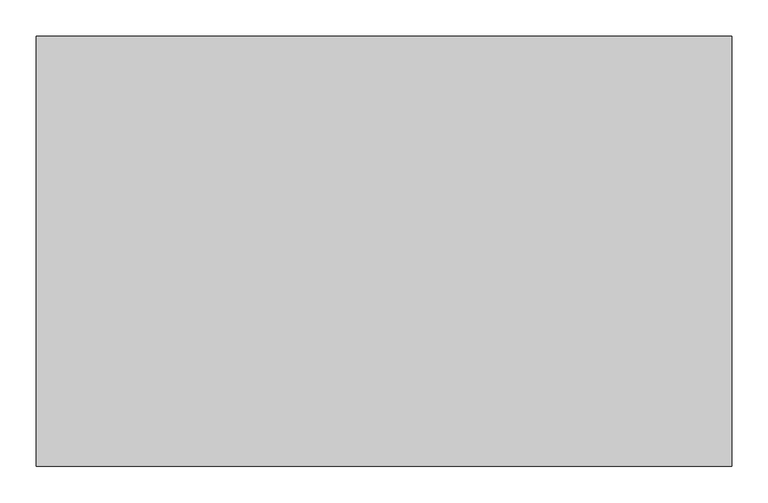
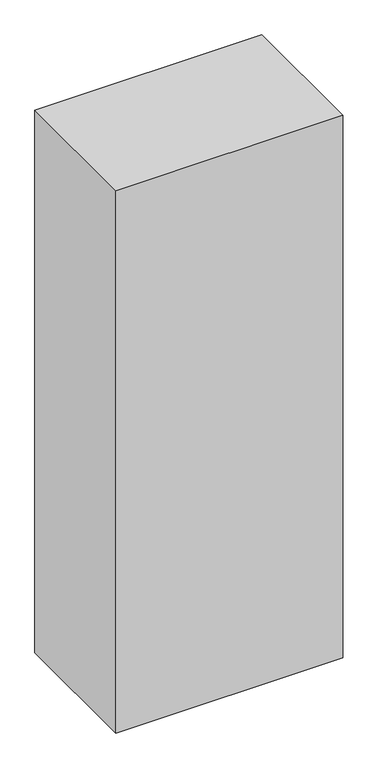
"""IFC4 building model written with IfcOpenShell, lengths in millimetres: proxy geometry."""

import ifcopenshell
import ifcopenshell.guid

model = None  # the IFC model being written
_history = None  # IfcOwnerHistory: only IFC2X3 demands one
_inside = {}  # id of a spatial element -> (the spatial element, [elements in it])
_under = {}  # id of a project, library or spatial element -> (it, [spatial elements below it])
_declared = {}  # id of a project -> (the project, [libraries it declares])
_typed = {}  # id of a type object -> (the type object, [elements of that type])
_made_of = {}  # id of a material, layer set ... -> (it, [elements and type objects made of it])


def new_model(schema):
    """Start an empty IFC model of exactly this schema.

    Asked for "IFC4X3", IfcOpenShell would pick the latest addendum, in which some entities
    have other attributes; the version numbers below select the first issue.
    IFC2X3 requires an IfcOwnerHistory on every rooted entity: one is made here for all.
    """
    global model, _history
    if schema == "IFC4X3":
        model = ifcopenshell.file(schema_version=(4, 3, 0, 0))
    else:
        model = ifcopenshell.file(schema=schema)
    _inside.clear()
    _under.clear()
    _declared.clear()
    _typed.clear()
    _made_of.clear()
    _history = None
    if model.schema == "IFC2X3":
        org = make("IfcOrganization", Name="unknown")
        user = make(
            "IfcPersonAndOrganization",
            ThePerson=make("IfcPerson", FamilyName="unknown"),
            TheOrganization=org,
        )
        app = make(
            "IfcApplication",
            ApplicationDeveloper=org,
            Version="unknown",
            ApplicationFullName="unknown",
            ApplicationIdentifier="unknown",
        )
        _history = make(
            "IfcOwnerHistory",
            OwningUser=user,
            OwningApplication=app,
            ChangeAction="ADDED",
            CreationDate=0,
        )
    return model


def make(cls, **values):
    """One entity of the class cls with the attributes given. An attribute that is None is left unset."""
    return model.create_entity(
        cls, **{name: value for name, value in values.items() if value is not None}
    )


def rooted(cls, **values):
    """An entity with a GlobalId (a new one), such as an element, a storey or a relation."""
    return make(cls, GlobalId=ifcopenshell.guid.new(), OwnerHistory=_history, **values)


def si_unit(unit_type, name, prefix=None):
    """IfcSIUnit, for example si_unit("LENGTHUNIT", "METRE", prefix="MILLI")."""
    return make("IfcSIUnit", UnitType=unit_type, Prefix=prefix, Name=name)


def assignment(units):
    """IfcUnitAssignment: the units of a project."""
    return None if units is None else make("IfcUnitAssignment", Units=units)


def point(xyz):
    """IfcCartesianPoint."""
    return None if xyz is None else make("IfcCartesianPoint", Coordinates=xyz)


def direction(xyz):
    """IfcDirection."""
    return None if xyz is None else make("IfcDirection", DirectionRatios=xyz)


def frame(location, z_axis=None, x_axis=None):
    """IfcAxis2Placement3D, a coordinate frame: its origin and axes. An axis left out is left unset."""
    return make(
        "IfcAxis2Placement3D",
        Location=point(location),
        Axis=direction(z_axis),
        RefDirection=direction(x_axis),
    )


def origin():
    """The frame at (0, 0, 0) with its axes left unset."""
    return frame((0.0, 0.0, 0.0))


def origin_with_axes():
    """The frame at (0, 0, 0) with the z axis (0, 0, 1) and the x axis (1, 0, 0) written out."""
    return frame((0.0, 0.0, 0.0), z_axis=(0.0, 0.0, 1.0), x_axis=(1.0, 0.0, 0.0))


def place(relative_to, where):
    """IfcLocalPlacement: puts the frame where relative to a parent placement (None: the world)."""
    return make(
        "IfcLocalPlacement", PlacementRelTo=relative_to, RelativePlacement=where
    )


def context(
    kind, dimensions, precision=None, world=None, true_north=None, identifier=None
):
    """IfcGeometricRepresentationContext, for example the 3D "Model" context."""
    return make(
        "IfcGeometricRepresentationContext",
        ContextIdentifier=identifier,
        ContextType=kind,
        CoordinateSpaceDimension=dimensions,
        Precision=precision,
        WorldCoordinateSystem=world,
        TrueNorth=true_north,
    )


def project(units=None, contexts=None):
    """IfcProject with its units and contexts."""
    return rooted(
        "IfcProject",
        Name="project",
        RepresentationContexts=contexts,
        UnitsInContext=assignment(units),
    )


def spatial(cls, under=None, at=None, **own):
    """A site, building, storey or space (cls), placed at a placement, below another one or the project."""
    s = rooted(cls, ObjectPlacement=at, **own)
    if under is not None:
        _under.setdefault(under.id(), (under, []))[1].append(s)
    return s


def polyline(points):
    """IfcPolyline through the points."""
    return make("IfcPolyline", Points=[point(p) for p in points])


def outline(outer, holes=None, kind="AREA"):
    """IfcArbitraryClosedProfileDef: a profile drawn as a closed curve; with holes, ...WithVoids."""
    if holes is None:
        return make("IfcArbitraryClosedProfileDef", ProfileType=kind, OuterCurve=outer)
    return make(
        "IfcArbitraryProfileDefWithVoids",
        ProfileType=kind,
        OuterCurve=outer,
        InnerCurves=holes,
    )


def extrude(swept, where, along, depth):
    """IfcExtrudedAreaSolid: the profile swept, set in the frame where, extruded along a direction by depth."""
    return make(
        "IfcExtrudedAreaSolid",
        SweptArea=swept,
        Position=where,
        ExtrudedDirection=direction(along),
        Depth=depth,
    )


def shape(context_of_items, identifier, shape_type, items):
    """IfcShapeRepresentation: the items that make up one representation, for example the "Body"."""
    return make(
        "IfcShapeRepresentation",
        ContextOfItems=context_of_items,
        RepresentationIdentifier=identifier,
        RepresentationType=shape_type,
        Items=items,
    )


def source(mapping_origin, context_of_items, identifier, shape_type, items):
    """IfcRepresentationMap: a shape defined once, which mapped items show again and again."""
    return make(
        "IfcRepresentationMap",
        MappingOrigin=mapping_origin,
        MappedRepresentation=shape(context_of_items, identifier, shape_type, items),
    )


def transform(
    local_origin,
    x_axis=None,
    y_axis=None,
    z_axis=None,
    scale=None,
    scale2=None,
    scale3=None,
    uniform=True,
):
    """IfcCartesianTransformationOperator3D, or its non-uniform kind. x_axis, y_axis, z_axis: its Axis1, 2, 3."""
    if uniform:
        return make(
            "IfcCartesianTransformationOperator3D",
            Axis1=direction(x_axis),
            Axis2=direction(y_axis),
            LocalOrigin=point(local_origin),
            Scale=scale,
            Axis3=direction(z_axis),
        )
    return make(
        "IfcCartesianTransformationOperator3DnonUniform",
        Axis1=direction(x_axis),
        Axis2=direction(y_axis),
        LocalOrigin=point(local_origin),
        Scale=scale,
        Axis3=direction(z_axis),
        Scale2=scale2,
        Scale3=scale3,
    )


def mapped(mapping_source, mapping_target):
    """IfcMappedItem: shows the shape of a source again, moved by a transform."""
    return make(
        "IfcMappedItem", MappingSource=mapping_source, MappingTarget=mapping_target
    )


def made_of(thing, what):
    """Note that an element or type object is made of a material, layer set ...; save() writes the relation."""
    if what is not None:
        _made_of.setdefault(what.id(), (what, []))[1].append(thing)
    return thing


def element(
    cls,
    number,
    at=None,
    inside=None,
    cuts=None,
    type_object=None,
    material=None,
    context=None,
    identifier="Body",
    shape_type=None,
    held_by="IfcProductDefinitionShape",
    body=None,
    shapes=None,
    **own,
):
    """One element of the class cls, such as IfcWall. Its Tag is "e" and its number.

    at: its placement. inside: the storey or other place that contains it. cuts: it is an
    opening in that element (IfcRelVoidsElement). A single representation is given by context,
    identifier, shape_type and body (its items); several are given by shapes. held_by: the class
    of the entity that holds the representations. save() writes the other relations.
    """
    e = rooted(cls, Tag="e%d" % number, ObjectPlacement=at, **own)
    if body is not None:
        shapes = [shape(context, identifier, shape_type, body)]
    if shapes is not None:
        e.Representation = make(held_by, Representations=shapes)
    if inside is not None:
        _inside.setdefault(inside.id(), (inside, []))[1].append(e)
    if cuts is not None:
        rooted(
            "IfcRelVoidsElement", RelatingBuildingElement=cuts, RelatedOpeningElement=e
        )
    if type_object is not None:
        _typed.setdefault(type_object.id(), (type_object, []))[1].append(e)
    return made_of(e, material)


def aggregate(whole, parts):
    """IfcRelAggregates: a whole, such as a stair, and the parts it consists of."""
    return rooted("IfcRelAggregates", RelatingObject=whole, RelatedObjects=parts)


def save(model, path):
    """Write the relations noted so far, then the file.

    IfcRelAggregates (storeys below a building ...), IfcRelContainedInSpatialStructure (elements
    in a storey), IfcRelDefinesByType, IfcRelAssociatesMaterial and IfcRelDeclares: one each for
    every whole, place, type object, material and project.
    """
    for whole, parts in _under.values():
        aggregate(whole, parts)
    for where, things in _inside.values():
        rooted(
            "IfcRelContainedInSpatialStructure",
            RelatedElements=things,
            RelatingStructure=where,
        )
    for kind, things in _typed.values():
        rooted("IfcRelDefinesByType", RelatedObjects=things, RelatingType=kind)
    for what, things in _made_of.values():
        rooted("IfcRelAssociatesMaterial", RelatedObjects=things, RelatingMaterial=what)
    for by, libraries in _declared.values():
        rooted("IfcRelDeclares", RelatingContext=by, RelatedDefinitions=libraries)
    model.write(path)


def generic_models_bb3f516b(model_context):
    return source(origin(), model_context, "Body", "SweptSolid", [
        extrude(outline(polyline([(457.2, -86.51875), (457.2, -153.19375), (-457.2, -153.19375), (-457.2, -86.51875), (457.2, -86.51875)])), origin_with_axes(), (0.0, 0.0, 1.0), 2365.375),
        extrude(outline(polyline([(457.2, 33.3375), (457.2, -33.3375), (-457.2, -33.3375), (-457.2, 33.3375), (457.2, 33.3375)])), origin_with_axes(), (0.0, 0.0, 1.0), 2365.375),
        extrude(outline(polyline([(457.2, 153.19375), (457.2, 86.51875), (-457.2, 86.51875), (-457.2, 153.19375), (457.2, 153.19375)])), origin_with_axes(), (0.0, 0.0, 1.0), 2365.375),
        extrude(outline(polyline([(457.2, -206.375), (457.2, -273.05), (-457.2, -273.05), (-457.2, -206.375), (457.2, -206.375)])), origin_with_axes(), (0.0, 0.0, 1.0), 2365.375),
        extrude(outline(polyline([(457.2, 273.05), (457.2, 206.375), (-457.2, 206.375), (-457.2, 273.05), (457.2, 273.05)])), origin_with_axes(), (0.0, 0.0, 1.0), 2365.375),
        extrude(outline(polyline([(482.6, 298.45), (482.6, -298.45), (-482.6, -298.45), (-482.6, 298.45), (482.6, 298.45)])), origin_with_axes(), (0.0, 0.0, 1.0), 2438.4),
    ])


if __name__ == "__main__":
    model = new_model("IFC4")
    model_context = context("Model", 3, world=origin())
    ifc_project = project(units=[si_unit("LENGTHUNIT", "METRE", prefix="MILLI")], contexts=[model_context])
    site = spatial("IfcSite", under=ifc_project)
    building = spatial("IfcBuilding", under=site)
    placement = place(None, origin())
    generic_models_shape = generic_models_bb3f516b(model_context)
    element("IfcBuildingElementProxy", 1, Name="Generic Models", at=placement, inside=building, context=model_context, shape_type="MappedRepresentation", body=[
        mapped(generic_models_shape, transform((0.0, 0.0, 0.0), x_axis=(1.0, 0.0, 0.0), y_axis=(0.0, 1.0, 0.0), z_axis=(0.0, 0.0, 1.0))),
    ])
    save(model, "model.ifc")
